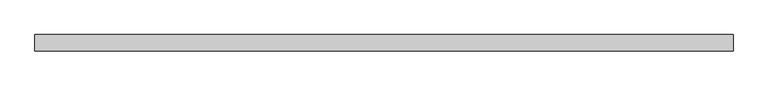
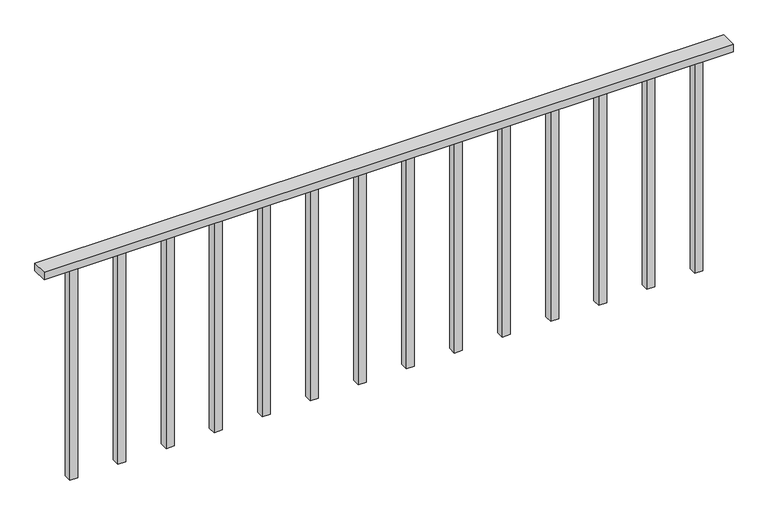
"""IFC4 building model written with IfcOpenShell, lengths in millimetres: proxy geometry."""

from ifc_helpers import new_model, si_unit, frame, origin, place, context, project, spatial, polyline, outline, extrude, source, transform, mapped, element, save


def generic_models_568deaa2(model_context):
    return source(origin(), model_context, "Body", "SweptSolid", [
        extrude(outline(polyline([(1975.0, 25.0), (1975.0, -25.0), (1925.0, -25.0), (1925.0, 25.0), (1975.0, 25.0)])), frame((0.0, 0.0, 4713.0), z_axis=(0.0, 0.0, 1.0), x_axis=(1.0, 0.0, 0.0)), (0.0, 0.0, 1.0), 1400.0),
        extrude(outline(polyline([(1675.0, 25.0), (1675.0, -25.0), (1625.0, -25.0), (1625.0, 25.0), (1675.0, 25.0)])), frame((0.0, 0.0, 4713.0), z_axis=(0.0, 0.0, 1.0), x_axis=(1.0, 0.0, 0.0)), (0.0, 0.0, 1.0), 1400.0),
        extrude(outline(polyline([(1375.0, 25.0), (1375.0, -25.0), (1325.0, -25.0), (1325.0, 25.0), (1375.0, 25.0)])), frame((0.0, 0.0, 4713.0), z_axis=(0.0, 0.0, 1.0), x_axis=(1.0, 0.0, 0.0)), (0.0, 0.0, 1.0), 1400.0),
        extrude(outline(polyline([(1075.0, 25.0), (1075.0, -25.0), (1025.0, -25.0), (1025.0, 25.0), (1075.0, 25.0)])), frame((0.0, 0.0, 4713.0), z_axis=(0.0, 0.0, 1.0), x_axis=(1.0, 0.0, 0.0)), (0.0, 0.0, 1.0), 1400.0),
        extrude(outline(polyline([(775.0, 25.0), (775.0, -25.0), (725.0, -25.0), (725.0, 25.0), (775.0, 25.0)])), frame((0.0, 0.0, 4713.0), z_axis=(0.0, 0.0, 1.0), x_axis=(1.0, 0.0, 0.0)), (0.0, 0.0, 1.0), 1400.0),
        extrude(outline(polyline([(475.0, 25.0), (475.0, -25.0), (425.0, -25.0), (425.0, 25.0), (475.0, 25.0)])), frame((0.0, 0.0, 4713.0), z_axis=(0.0, 0.0, 1.0), x_axis=(1.0, 0.0, 0.0)), (0.0, 0.0, 1.0), 1400.0),
        extrude(outline(polyline([(175.0, 25.0), (175.0, -25.0), (125.0, -25.0), (125.0, 25.0), (175.0, 25.0)])), frame((0.0, 0.0, 4713.0), z_axis=(0.0, 0.0, 1.0), x_axis=(1.0, 0.0, 0.0)), (0.0, 0.0, 1.0), 1400.0),
        extrude(outline(polyline([(-125.0, 25.0), (-125.0, -25.0), (-175.0, -25.0), (-175.0, 25.0), (-125.0, 25.0)])), frame((0.0, 0.0, 4713.0), z_axis=(0.0, 0.0, 1.0), x_axis=(1.0, 0.0, 0.0)), (0.0, 0.0, 1.0), 1400.0),
        extrude(outline(polyline([(-425.0, 25.0), (-425.0, -25.0), (-475.0, -25.0), (-475.0, 25.0), (-425.0, 25.0)])), frame((0.0, 0.0, 4713.0), z_axis=(0.0, 0.0, 1.0), x_axis=(1.0, 0.0, 0.0)), (0.0, 0.0, 1.0), 1400.0),
        extrude(outline(polyline([(-725.0, 25.0), (-725.0, -25.0), (-775.0, -25.0), (-775.0, 25.0), (-725.0, 25.0)])), frame((0.0, 0.0, 4713.0), z_axis=(0.0, 0.0, 1.0), x_axis=(1.0, 0.0, 0.0)), (0.0, 0.0, 1.0), 1400.0),
        extrude(outline(polyline([(-1025.0, 25.0), (-1025.0, -25.0), (-1075.0, -25.0), (-1075.0, 25.0), (-1025.0, 25.0)])), frame((0.0, 0.0, 4713.0), z_axis=(0.0, 0.0, 1.0), x_axis=(1.0, 0.0, 0.0)), (0.0, 0.0, 1.0), 1400.0),
        extrude(outline(polyline([(-1325.0, 25.0), (-1325.0, -25.0), (-1375.0, -25.0), (-1375.0, 25.0), (-1325.0, 25.0)])), frame((0.0, 0.0, 4713.0), z_axis=(0.0, 0.0, 1.0), x_axis=(1.0, 0.0, 0.0)), (0.0, 0.0, 1.0), 1400.0),
        extrude(outline(polyline([(-1625.0, 25.0), (-1625.0, -25.0), (-1675.0, -25.0), (-1675.0, 25.0), (-1625.0, 25.0)])), frame((0.0, 0.0, 4713.0), z_axis=(0.0, 0.0, 1.0), x_axis=(1.0, 0.0, 0.0)), (0.0, 0.0, 1.0), 1400.0),
        extrude(outline(polyline([(-1925.0, 25.0), (-1925.0, -25.0), (-1975.0, -25.0), (-1975.0, 25.0), (-1925.0, 25.0)])), frame((0.0, 0.0, 4713.0), z_axis=(0.0, 0.0, 1.0), x_axis=(1.0, 0.0, 0.0)), (0.0, 0.0, 1.0), 1400.0),
        extrude(outline(polyline([(2150.0, 50.0), (2150.0, -50.0), (-2150.0, -50.0), (-2150.0, 50.0), (2150.0, 50.0)])), frame((0.0, 0.0, 6113.0), z_axis=(0.0, 0.0, 1.0), x_axis=(1.0, 0.0, 0.0)), (0.0, 0.0, 1.0), 50.0),
    ])


if __name__ == "__main__":
    model = new_model("IFC4")
    model_context = context("Model", 3, world=origin())
    ifc_project = project(units=[si_unit("LENGTHUNIT", "METRE", prefix="MILLI")], contexts=[model_context])
    site = spatial("IfcSite", under=ifc_project)
    building = spatial("IfcBuilding", under=site)
    placement = place(None, origin())
    generic_models_shape = generic_models_568deaa2(model_context)
    element("IfcBuildingElementProxy", 1, Name="Generic Models", at=placement, inside=building, context=model_context, shape_type="MappedRepresentation", body=[
        mapped(generic_models_shape, transform((0.0, 0.0, 0.0), x_axis=(1.0, 0.0, 0.0), y_axis=(0.0, 1.0, 0.0), z_axis=(0.0, 0.0, 1.0))),
    ])
    save(model, "model.ifc")
